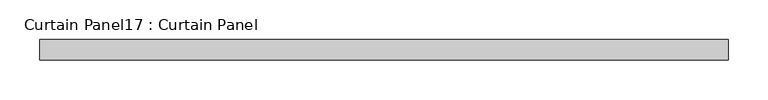
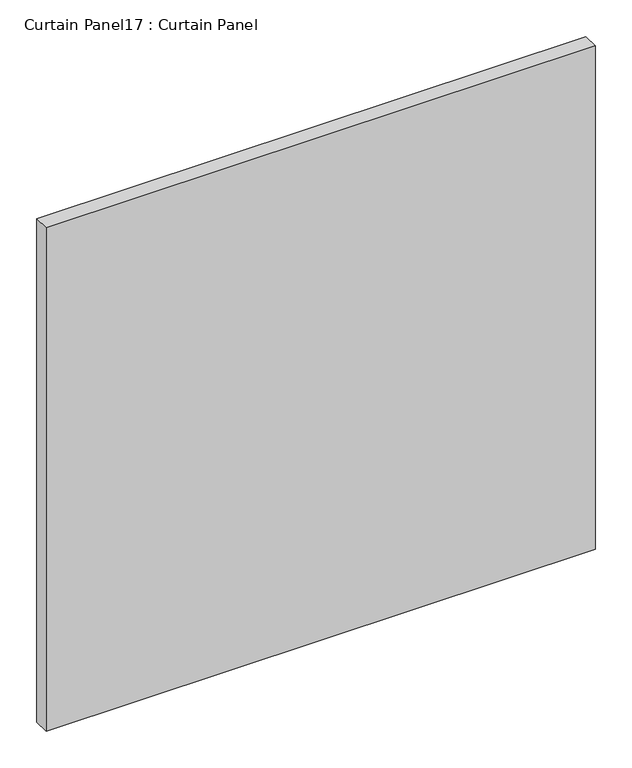
"""IFC4 building model written with IfcOpenShell, lengths in millimetres: plate geometry, Curtain Panel17 : Curtain Panel."""

from ifc_helpers import new_model, si_unit, frame, origin, place, context, project, spatial, polyline, outline, extrude, source, transform, mapped, element, save


def curtain_panel17_curtain_panel_6727c1a8(model_context):
    return source(origin(), model_context, "Body", "SweptSolid", [
        extrude(outline(polyline([(10536.9424689, 2827.780256), (9673.3426893, 2827.780256), (9673.3426893, 2853.180256), (10536.9424689, 2853.180256), (10536.9424689, 2827.780256)])), frame((0.0, 0.0, 1204.7803505), z_axis=(0.0, 0.0, 1.0), x_axis=(1.0, 0.0, 0.0)), (0.0, 0.0, 1.0), 837.0462759),
    ])


if __name__ == "__main__":
    model = new_model("IFC4")
    model_context = context("Model", 3, world=origin())
    ifc_project = project(units=[si_unit("LENGTHUNIT", "METRE", prefix="MILLI")], contexts=[model_context])
    site = spatial("IfcSite", under=ifc_project)
    building = spatial("IfcBuilding", under=site)
    placement = place(None, origin())
    curtain_panel17_curtain_panel_shape = curtain_panel17_curtain_panel_6727c1a8(model_context)
    element("IfcPlate", 1, ObjectType="Curtain Panel17 : Curtain Panel", at=placement, inside=building, context=model_context, shape_type="MappedRepresentation", body=[
        mapped(curtain_panel17_curtain_panel_shape, transform((0.0, 0.0, 0.0), x_axis=(1.0, 0.0, 0.0), y_axis=(0.0, 1.0, 0.0), z_axis=(0.0, 0.0, 1.0))),
    ])
    save(model, "model.ifc")
